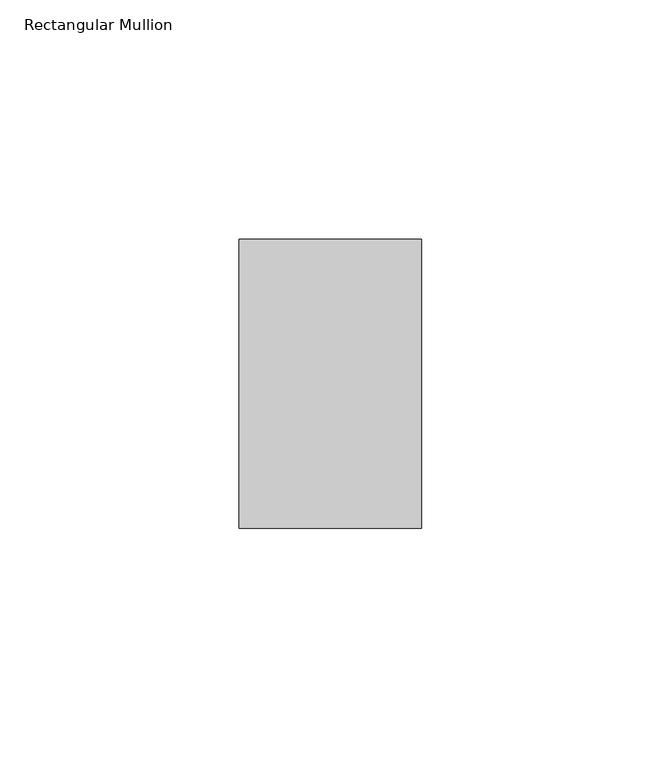
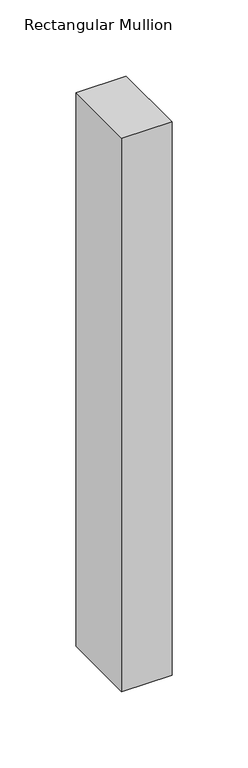
"""IFC4 building model written with IfcOpenShell, lengths in millimetres: member geometry, Rectangular Mullion."""

from ifc_helpers import new_model, si_unit, frame, origin, place, context, project, spatial, polyline, outline, extrude, source, transform, mapped, element, save


def rectangular_mullion_bcd50078(model_context):
    return source(origin(), model_context, "Body", "SweptSolid", [
        extrude(outline(polyline([(-38.1, 50.8), (0.0, 50.8), (0.0, -9.525), (-38.1, -9.525), (-38.1, 50.8)])), frame((0.0, 0.0, -444.5), z_axis=(0.0, 0.0, 1.0), x_axis=(1.0, 0.0, 0.0)), (0.0, 0.0, 1.0), 444.5),
    ])


if __name__ == "__main__":
    model = new_model("IFC4")
    model_context = context("Model", 3, world=origin())
    ifc_project = project(units=[si_unit("LENGTHUNIT", "METRE", prefix="MILLI")], contexts=[model_context])
    site = spatial("IfcSite", under=ifc_project)
    building = spatial("IfcBuilding", under=site)
    placement = place(None, origin())
    rectangular_mullion_shape = rectangular_mullion_bcd50078(model_context)
    element("IfcMember", 1, ObjectType="Rectangular Mullion", at=placement, inside=building, context=model_context, shape_type="MappedRepresentation", body=[
        mapped(rectangular_mullion_shape, transform((0.0, 0.0, 0.0), x_axis=(1.0, 0.0, 0.0), y_axis=(0.0, 1.0, 0.0), z_axis=(0.0, 0.0, 1.0))),
    ])
    save(model, "model.ifc")
